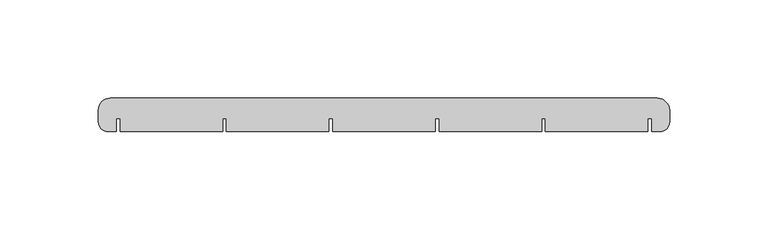
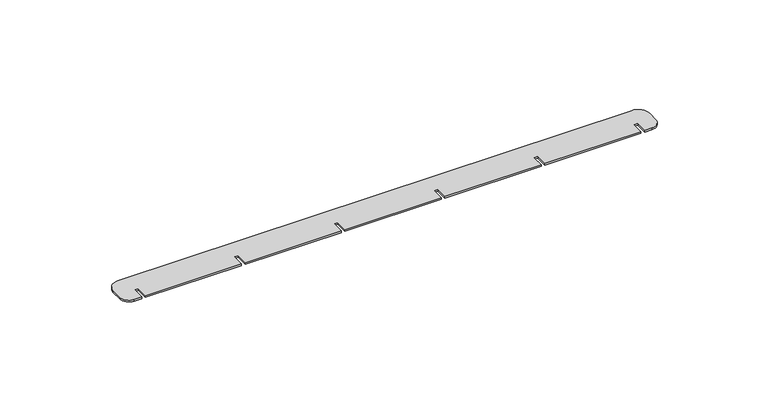
"""IFC4 building model written with IfcOpenShell, lengths in millimetres: proxy geometry."""

from ifc_helpers import new_model, si_unit, point, frame_2d, origin, origin_with_axes, place, context, project, spatial, polyline, circle_curve, trimmed, segment, composite_curve, outline, extrude, source, transform, mapped, element, save


def generic_models_feb0346c(model_context):
    return source(origin(), model_context, "Body", "SweptSolid", [
        extrude(outline(composite_curve([segment(trimmed(circle_curve(frame_2d((273.8017997, 10.8017997)), 6.1982003), [point((273.8017997, 17.0))], [point((280.0, 10.8017997))], False, "CARTESIAN"), True, "CONTINUOUS"), segment(polyline([(280.0, 10.8017997), (280.0, 5.0)]), True, "CONTINUOUS"), segment(trimmed(circle_curve(frame_2d((275.0, 5.0)), 5.0), [point((280.0, 5.0))], [point((275.0, 0.0))], False, "CARTESIAN"), True, "CONTINUOUS"), segment(polyline([(275.0, 0.0), (271.0, 0.0), (271.0, 6.6), (269.0, 6.6), (269.0, 0.0), (217.0, 0.0), (217.0, 6.6), (215.0, 6.6), (215.0, 0.0), (163.0, 0.0), (163.0, 6.6), (161.0, 6.6), (161.0, 0.0), (109.0, 0.0), (109.0, 6.6), (107.0, 6.6), (107.0, 0.0), (55.0, 0.0), (55.0, 6.6), (53.0, 6.6), (53.0, 0.0), (1.0, 0.0), (1.0, 6.6), (-1.0, 6.6), (-1.0, 0.0), (-5.0, 0.0)]), True, "CONTINUOUS"), segment(trimmed(circle_curve(frame_2d((-5.0, 5.0)), 5.0), [point((-5.0, 0.0))], [point((-10.0, 5.0))], False, "CARTESIAN"), True, "CONTINUOUS"), segment(polyline([(-10.0, 5.0), (-10.0, 10.9656042)]), True, "CONTINUOUS"), segment(trimmed(circle_curve(frame_2d((-3.9656042, 10.9656042)), 6.0343958), [point((-10.0, 10.9656042))], [point((-3.9656042, 17.0))], False, "CARTESIAN"), True, "CONTINUOUS"), segment(polyline([(-3.9656042, 17.0), (273.8017997, 17.0)]), True, "CONTINUOUS")], self_intersect=False)), origin_with_axes(), (0.0, 0.0, 1.0), 1.0),
    ])


if __name__ == "__main__":
    model = new_model("IFC4")
    model_context = context("Model", 3, world=origin())
    ifc_project = project(units=[si_unit("LENGTHUNIT", "METRE", prefix="MILLI")], contexts=[model_context])
    site = spatial("IfcSite", under=ifc_project)
    building = spatial("IfcBuilding", under=site)
    placement = place(None, origin())
    generic_models_shape = generic_models_feb0346c(model_context)
    element("IfcBuildingElementProxy", 1, Name="Generic Models", at=placement, inside=building, context=model_context, shape_type="MappedRepresentation", body=[
        mapped(generic_models_shape, transform((0.0, 0.0, 0.0), x_axis=(1.0, 0.0, 0.0), y_axis=(0.0, 1.0, 0.0), z_axis=(0.0, 0.0, 1.0))),
    ])
    save(model, "model.ifc")
